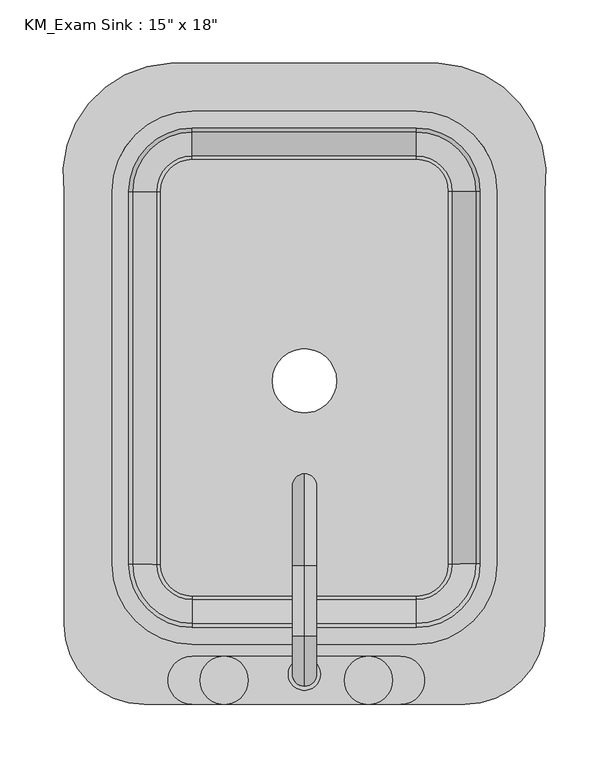
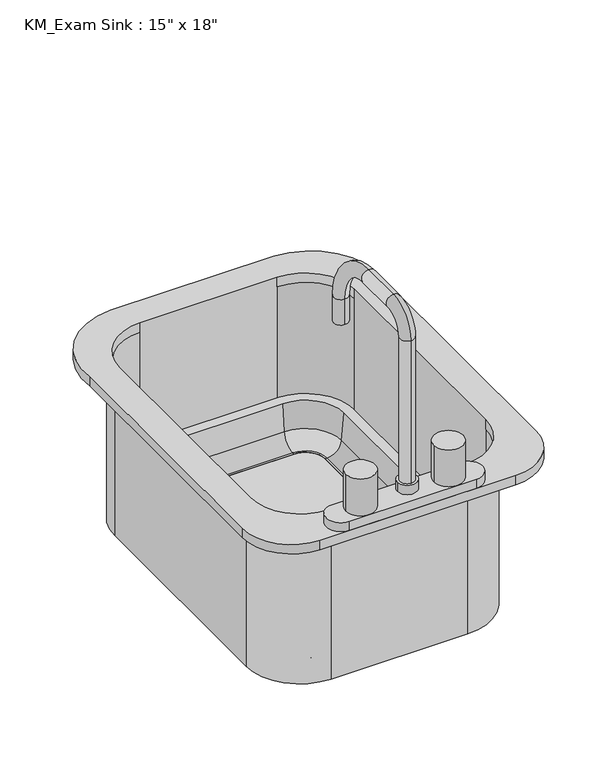
"""IFC4 building model written with IfcOpenShell, lengths in millimetres: flow terminal geometry."""

from ifc_helpers import new_model, si_unit, point, frame, frame_2d, origin, place, context, project, spatial, polyline, circle_curve, ellipse_curve, trimmed, segment, composite_curve, outline, extrude, source, transform, mapped, element, save
from ifc_brep_helpers import plane_surface, cylinder_surface, revolved_surface, advanced_brep


def flow_terminal_dfd2f330(model_context):
    return source(origin(), model_context, "Body", "SolidModel", [
        advanced_brep(
        [(-90.4606923, 302.4545989, 876.3), (-174.8107593, 200.8545982, 876.3), (-174.8107593, -142.0454011, 876.3), (-111.3107593, -205.5454011, 876.3), (142.6892406, -205.5454011, 876.3), (206.1892406, -142.0454011, 876.3), (206.1892406, 200.8545989, 876.3), (121.8391735, 302.4545989, 876.3), (104.5892406, -157.9204011, 876.3), (-73.2107594, -157.9204011, 876.3), (-136.7107594, -94.4204011, 876.3), (-136.7107594, 200.8545989, 876.3), (-73.2107594, 264.3545989, 876.3), (104.5892406, 264.3545989, 876.3), (168.0892406, 200.8545989, 876.3), (168.0892406, -94.4204011, 876.3), (-90.4606923, 302.4545989, 863.6), (121.8391735, 302.4545989, 863.6), (206.1892406, 200.8545989, 863.6), (206.1892406, -142.0454011, 863.6), (142.6892406, -205.5454011, 863.6), (-111.3107593, -205.5454011, 863.6), (-174.8107593, -142.0454011, 863.6), (-174.8107593, 200.8545982, 863.6), (174.4392406, -94.4204011, 863.6), (174.4392406, 200.8545989, 863.6), (104.5892406, 270.7045989, 863.6), (-73.2107594, 270.7045989, 863.6), (-143.0607594, 200.8545989, 863.6), (-143.0607594, -94.4204011, 863.6), (-73.2107594, -164.2704011, 863.6), (104.5892406, -164.2704011, 863.6), (168.0892406, -94.4204011, 863.6), (104.5892406, -157.9204011, 863.6), (168.0892406, 200.8545989, 863.6), (168.0892406, 200.8545989, 711.2), (168.0892406, -94.4204011, 711.2), (104.5892406, 264.3545989, 863.6), (-73.2107594, 264.3545989, 863.6), (-73.2107594, 264.3545989, 711.2), (104.5892406, 264.3545989, 711.2), (-136.7107594, 200.8545989, 863.6), (-136.7107594, -94.4204011, 863.6), (-136.7107594, -94.4204011, 711.2), (-136.7107594, 200.8545989, 711.2), (-73.2107594, -157.9204011, 863.6), (104.5892406, -157.9204011, 711.2), (-73.2107594, -157.9204011, 711.2), (174.4392406, -94.4204011, 647.7), (104.5892406, -164.2704011, 647.7), (104.5892406, -119.8204011, 647.7), (129.9892406, -94.4204011, 647.7), (104.5892406, -119.8204011, 657.225), (129.9892406, -94.4204011, 657.225), (104.5892406, -122.4088193, 657.225), (132.5776588, -94.4204011, 657.225), (104.5892406, -141.3863283, 674.6146831), (151.5551678, -94.4204011, 674.6146831), (104.5892406, -144.5871288, 711.2), (154.7559682, -94.4204011, 711.2), (174.4392406, 200.8545989, 647.7), (129.9892406, 200.8545989, 647.7), (129.9892406, 200.8545989, 657.225), (132.5776588, 200.8545989, 657.225), (151.5551678, 200.8545989, 674.6146831), (154.7559682, 200.8545989, 711.2), (104.5892406, 270.7045989, 647.7), (104.5892406, 226.2545989, 647.7), (104.5892406, 226.2545989, 657.225), (104.5892406, 228.8430171, 657.225), (104.5892406, 247.8205261, 674.6146831), (104.5892406, 251.0213266, 711.2), (-73.2107594, 270.7045989, 647.7), (-73.2107594, 226.2545989, 647.7), (-73.2107594, 226.2545989, 657.225), (-73.2107594, 228.8430171, 657.225), (-73.2107594, 247.8205261, 674.6146831), (-73.2107594, 251.0213266, 711.2), (-143.0607594, 200.8545989, 647.7), (-98.6107594, 200.8545989, 647.7), (-98.6107594, 200.8545989, 657.225), (-101.1991776, 200.8545989, 657.225), (-120.1766866, 200.8545989, 674.6146831), (-123.3774871, 200.8545989, 711.2), (-143.0607594, -94.4204011, 647.7), (-98.6107594, -94.4204011, 647.7), (-98.6107594, -94.4204011, 657.225), (-101.1991776, -94.4204011, 657.225), (-120.1766866, -94.4204011, 674.6146831), (-123.3774871, -94.4204011, 711.2), (-73.2107594, -164.2704011, 647.7), (-73.2107594, -119.8204011, 647.7), (-73.2107594, -119.8204011, 657.225), (-73.2107594, -122.4088193, 657.225), (-73.2107594, -141.3863283, 674.6146831), (-73.2107594, -144.5871288, 711.2)],
        [
            (0, 1, circle_curve(frame((-86.6534746, 213.4793432, 876.3), z_axis=(0.0, 0.0, 1.0), x_axis=(1.0, 0.0, 0.0)), 89.0566732)),
            (1, 2),
            (2, 3, circle_curve(frame((-111.3107593, -142.0454011, 876.3), z_axis=(0.0, 0.0, 1.0), x_axis=(1.0, 0.0, 0.0)), 63.5)),
            (3, 4),
            (4, 5, circle_curve(frame((142.6892406, -142.0454011, 876.3), z_axis=(0.0, 0.0, 1.0), x_axis=(1.0, 0.0, 0.0)), 63.5)),
            (5, 6),
            (6, 7, circle_curve(frame((118.0319557, 213.4793432, 876.3), z_axis=(0.0, 0.0, 1.0), x_axis=(1.0, 0.0, 0.0)), 89.0566732)),
            (7, 0),
            (8, 9),
            (9, 10, circle_curve(frame((-73.2107594, -94.4204011, 876.3), z_axis=(0.0, 0.0, -1.0), x_axis=(1.0, 0.0, 0.0)), 63.5)),
            (10, 11),
            (11, 12, circle_curve(frame((-73.2107594, 200.8545989, 876.3), z_axis=(0.0, 0.0, -1.0), x_axis=(1.0, 0.0, 0.0)), 63.5)),
            (12, 13),
            (13, 14, circle_curve(frame((104.5892406, 200.8545989, 876.3), z_axis=(0.0, 0.0, -1.0), x_axis=(1.0, 0.0, 0.0)), 63.5)),
            (14, 15),
            (15, 8, circle_curve(frame((104.5892406, -94.4204011, 876.3), z_axis=(0.0, 0.0, -1.0), x_axis=(1.0, 0.0, 0.0)), 63.5)),
            (16, 17),
            (17, 18, circle_curve(frame((118.0319557, 213.4793432, 863.6), z_axis=(0.0, 0.0, -1.0), x_axis=(1.0, 0.0, 0.0)), 89.0566732)),
            (18, 19),
            (19, 20, circle_curve(frame((142.6892406, -142.0454011, 863.6), z_axis=(0.0, 0.0, -1.0), x_axis=(1.0, 0.0, 0.0)), 63.5)),
            (20, 21),
            (21, 22, circle_curve(frame((-111.3107593, -142.0454011, 863.6), z_axis=(0.0, 0.0, -1.0), x_axis=(1.0, 0.0, 0.0)), 63.5)),
            (22, 23),
            (23, 16, circle_curve(frame((-86.6534746, 213.4793432, 863.6), z_axis=(0.0, 0.0, -1.0), x_axis=(1.0, 0.0, 0.0)), 89.0566732)),
            (24, 25),
            (25, 26, circle_curve(frame((104.5892406, 200.8545989, 863.6), z_axis=(0.0, 0.0, 1.0), x_axis=(1.0, 0.0, 0.0)), 69.85)),
            (26, 27),
            (27, 28, circle_curve(frame((-73.2107594, 200.8545989, 863.6), z_axis=(0.0, 0.0, 1.0), x_axis=(0.0, 1.0, 0.0)), 69.85)),
            (28, 29),
            (29, 30, circle_curve(frame((-73.2107594, -94.4204011, 863.6), z_axis=(0.0, 0.0, 1.0), x_axis=(-1.0, 0.0, 0.0)), 69.85)),
            (30, 31),
            (31, 24, circle_curve(frame((104.5892406, -94.4204011, 863.6), z_axis=(0.0, 0.0, 1.0), x_axis=(0.0, -1.0, 0.0)), 69.85)),
            (7, 17),
            (16, 0),
            (6, 18),
            (5, 19),
            (4, 20),
            (3, 21),
            (2, 22),
            (1, 23),
            (15, 32),
            (32, 33, circle_curve(frame((104.5892406, -94.4204011, 863.6), z_axis=(0.0, 0.0, -1.0), x_axis=(1.0, 0.0, 0.0)), 63.5)),
            (33, 8),
            (14, 34),
            (34, 35),
            (35, 36),
            (36, 32),
            (13, 37),
            (37, 34, circle_curve(frame((104.5892406, 200.8545989, 863.6), z_axis=(0.0, 0.0, -1.0), x_axis=(1.0, 0.0, 0.0)), 63.5)),
            (12, 38),
            (38, 39),
            (39, 40),
            (40, 37),
            (11, 41),
            (41, 38, circle_curve(frame((-73.2107594, 200.8545989, 863.6), z_axis=(0.0, 0.0, -1.0), x_axis=(1.0, 0.0, 0.0)), 63.5)),
            (10, 42),
            (42, 43),
            (43, 44),
            (44, 41),
            (9, 45),
            (45, 42, circle_curve(frame((-73.2107594, -94.4204011, 863.6), z_axis=(0.0, 0.0, -1.0), x_axis=(1.0, 0.0, 0.0)), 63.5)),
            (33, 46),
            (46, 47),
            (47, 45),
            (48, 24),
            (31, 49),
            (49, 48, circle_curve(frame((104.5892406, -94.4204011, 647.7), z_axis=(0.0, 0.0, 1.0), x_axis=(0.0, -1.0, 0.0)), 69.85)),
            (49, 50),
            (50, 51, circle_curve(frame((104.5892406, -94.4204011, 647.7), z_axis=(0.0, 0.0, 1.0), x_axis=(0.0, -1.0, 0.0)), 25.4)),
            (51, 48),
            (50, 52),
            (52, 53, circle_curve(frame((104.5892406, -94.4204011, 657.225), z_axis=(0.0, 0.0, 1.0), x_axis=(0.0, -1.0, 0.0)), 25.4)),
            (53, 51),
            (52, 54),
            (54, 55, circle_curve(frame((104.5892406, -94.4204011, 657.225), z_axis=(0.0, 0.0, 1.0), x_axis=(0.0, -1.0, 0.0)), 27.9884182)),
            (55, 53),
            (54, 56, circle_curve(frame((104.5892406, -122.4088193, 676.275), z_axis=(-1.0, 0.0, 0.0), x_axis=(0.0, -1.0, 0.0)), 19.05)),
            (56, 57, circle_curve(frame((104.5892406, -94.4204011, 674.6146831), z_axis=(0.0, 0.0, 1.0), x_axis=(0.0, -1.0, 0.0)), 46.9659272)),
            (57, 55, circle_curve(frame((132.5776588, -94.4204011, 676.275), z_axis=(0.0, 1.0, 0.0), x_axis=(1.0, 0.0, 0.0)), 19.05)),
            (56, 58),
            (58, 59, circle_curve(frame((104.5892406, -94.4204011, 711.2), z_axis=(0.0, 0.0, 1.0), x_axis=(0.0, -1.0, 0.0)), 50.1667277)),
            (59, 57),
            (48, 60),
            (60, 25),
            (51, 61),
            (61, 60),
            (53, 62),
            (62, 61),
            (55, 63),
            (63, 62),
            (57, 64),
            (64, 63, circle_curve(frame((132.5776588, 200.8545989, 676.275), z_axis=(0.0, 1.0, 0.0), x_axis=(1.0, 0.0, 0.0)), 19.05)),
            (59, 65),
            (65, 64),
            (60, 66, circle_curve(frame((104.5892406, 200.8545989, 647.7), z_axis=(0.0, 0.0, 1.0), x_axis=(1.0, 0.0, 0.0)), 69.85)),
            (66, 26),
            (61, 67, circle_curve(frame((104.5892406, 200.8545989, 647.7), z_axis=(0.0, 0.0, 1.0), x_axis=(1.0, 0.0, 0.0)), 25.4)),
            (67, 66),
            (62, 68, circle_curve(frame((104.5892406, 200.8545989, 657.225), z_axis=(0.0, 0.0, 1.0), x_axis=(1.0, 0.0, 0.0)), 25.4)),
            (68, 67),
            (63, 69, circle_curve(frame((104.5892406, 200.8545989, 657.225), z_axis=(0.0, 0.0, 1.0), x_axis=(1.0, 0.0, 0.0)), 27.9884182)),
            (69, 68),
            (64, 70, circle_curve(frame((104.5892406, 200.8545989, 674.6146831), z_axis=(0.0, 0.0, 1.0), x_axis=(1.0, 0.0, 0.0)), 46.9659272)),
            (70, 69, circle_curve(frame((104.5892406, 228.8430171, 676.275), z_axis=(-1.0, 0.0, 0.0), x_axis=(0.0, 1.0, 0.0)), 19.05)),
            (65, 71, circle_curve(frame((104.5892406, 200.8545989, 711.2), z_axis=(0.0, 0.0, 1.0), x_axis=(1.0, 0.0, 0.0)), 50.1667277)),
            (71, 70),
            (66, 72),
            (72, 27),
            (67, 73),
            (73, 72),
            (68, 74),
            (74, 73),
            (69, 75),
            (75, 74),
            (70, 76),
            (76, 75, circle_curve(frame((-73.2107594, 228.8430171, 676.275), z_axis=(-1.0, 0.0, 0.0), x_axis=(0.0, 1.0, 0.0)), 19.05)),
            (71, 77),
            (77, 76),
            (72, 78, circle_curve(frame((-73.2107594, 200.8545989, 647.7), z_axis=(0.0, 0.0, 1.0), x_axis=(0.0, 1.0, 0.0)), 69.85)),
            (78, 28),
            (73, 79, circle_curve(frame((-73.2107594, 200.8545989, 647.7), z_axis=(0.0, 0.0, 1.0), x_axis=(0.0, 1.0, 0.0)), 25.4)),
            (79, 78),
            (74, 80, circle_curve(frame((-73.2107594, 200.8545989, 657.225), z_axis=(0.0, 0.0, 1.0), x_axis=(0.0, 1.0, 0.0)), 25.4)),
            (80, 79),
            (75, 81, circle_curve(frame((-73.2107594, 200.8545989, 657.225), z_axis=(0.0, 0.0, 1.0), x_axis=(0.0, 1.0, 0.0)), 27.9884182)),
            (81, 80),
            (76, 82, circle_curve(frame((-73.2107594, 200.8545989, 674.6146831), z_axis=(0.0, 0.0, 1.0), x_axis=(0.0, 1.0, 0.0)), 46.9659272)),
            (82, 81, circle_curve(frame((-101.1991776, 200.8545989, 676.275), z_axis=(0.0, -1.0, 0.0), x_axis=(-1.0, 0.0, 0.0)), 19.05)),
            (77, 83, circle_curve(frame((-73.2107594, 200.8545989, 711.2), z_axis=(0.0, 0.0, 1.0), x_axis=(0.0, 1.0, 0.0)), 50.1667277)),
            (83, 82),
            (78, 84),
            (84, 29),
            (79, 85),
            (85, 84),
            (80, 86),
            (86, 85),
            (81, 87),
            (87, 86),
            (82, 88),
            (88, 87, circle_curve(frame((-101.1991776, -94.4204011, 676.275), z_axis=(0.0, -1.0, 0.0), x_axis=(-1.0, 0.0, 0.0)), 19.05)),
            (83, 89),
            (89, 88),
            (84, 90, circle_curve(frame((-73.2107594, -94.4204011, 647.7), z_axis=(0.0, 0.0, 1.0), x_axis=(-1.0, 0.0, 0.0)), 69.85)),
            (90, 30),
            (85, 91, circle_curve(frame((-73.2107594, -94.4204011, 647.7), z_axis=(0.0, 0.0, 1.0), x_axis=(-1.0, 0.0, 0.0)), 25.4)),
            (91, 90),
            (86, 92, circle_curve(frame((-73.2107594, -94.4204011, 657.225), z_axis=(0.0, 0.0, 1.0), x_axis=(-1.0, 0.0, 0.0)), 25.4)),
            (92, 91),
            (87, 93, circle_curve(frame((-73.2107594, -94.4204011, 657.225), z_axis=(0.0, 0.0, 1.0), x_axis=(-1.0, 0.0, 0.0)), 27.9884182)),
            (93, 92),
            (88, 94, circle_curve(frame((-73.2107594, -94.4204011, 674.6146831), z_axis=(0.0, 0.0, 1.0), x_axis=(-1.0, 0.0, 0.0)), 46.9659272)),
            (94, 93, circle_curve(frame((-73.2107594, -122.4088193, 676.275), z_axis=(1.0, 0.0, 0.0), x_axis=(0.0, -1.0, 0.0)), 19.05)),
            (89, 95, circle_curve(frame((-73.2107594, -94.4204011, 711.2), z_axis=(0.0, 0.0, 1.0), x_axis=(-1.0, 0.0, 0.0)), 50.1667277)),
            (95, 94),
            (90, 49),
            (91, 50),
            (92, 52),
            (93, 54),
            (94, 56),
            (95, 58),
            (43, 47, circle_curve(frame((-73.2107594, -94.4204011, 711.2), z_axis=(0.0, 0.0, 1.0), x_axis=(0.0, 1.0, 0.0)), 63.5)),
            (46, 36, circle_curve(frame((104.5892406, -94.4204011, 711.2), z_axis=(0.0, 0.0, 1.0), x_axis=(0.0, 1.0, 0.0)), 63.5)),
            (35, 40, circle_curve(frame((104.5892406, 200.8545989, 711.2), z_axis=(0.0, 0.0, 1.0), x_axis=(0.0, 1.0, 0.0)), 63.5)),
            (39, 44, circle_curve(frame((-73.2107594, 200.8545989, 711.2), z_axis=(0.0, 0.0, 1.0), x_axis=(0.0, 1.0, 0.0)), 63.5)),
        ],
        [
            plane_surface(frame((121.8391735, 302.4545989, 876.3), z_axis=(0.0, 0.0, 1.0), x_axis=(1.0, 0.0, 0.0))),
            plane_surface(frame((121.8391735, 302.4545989, 863.6), z_axis=(0.0, 0.0, -1.0), x_axis=(-1.0, 0.0, 0.0))),
            plane_surface(frame((-90.4606923, 302.4545989, 876.3), z_axis=(0.0, 1.0, 0.0), x_axis=(0.0, 0.0, -1.0))),
            cylinder_surface(frame((118.0319557, 213.4793432, 863.6), z_axis=(0.0, 0.0, 1.0), x_axis=(1.0, 0.0, 0.0)), 89.0566732),
            plane_surface(frame((206.1892406, 200.8545989, 876.3), z_axis=(1.0, 0.0, 0.0), x_axis=(0.0, 0.0, -1.0))),
            cylinder_surface(frame((142.6892406, -142.0454011, 863.6), z_axis=(0.0, 0.0, 1.0), x_axis=(1.0, 0.0, 0.0)), 63.5),
            plane_surface(frame((142.6892406, -205.5454011, 876.3), z_axis=(0.0, -1.0, 0.0), x_axis=(0.0, 0.0, -1.0))),
            cylinder_surface(frame((-111.3107593, -142.0454011, 863.6), z_axis=(0.0, 0.0, 1.0), x_axis=(1.0, 0.0, 0.0)), 63.5),
            plane_surface(frame((-174.8107593, -142.0454011, 876.3), z_axis=(-1.0, 0.0, 0.0), x_axis=(0.0, 0.0, -1.0))),
            cylinder_surface(frame((-86.6534746, 213.4793432, 863.6), z_axis=(0.0, 0.0, 1.0), x_axis=(1.0, 0.0, 0.0)), 89.0566732),
            revolved_surface(polyline([(168.08924059999998, -94.4204011, 863.6), (168.08924059999998, -94.4204011, 876.3)]), (104.5892406, -94.4204011, 0.0), (0.0, 0.0, -1.0)),
            plane_surface(frame((168.0892406, -94.4204011, 876.3), z_axis=(-1.0, 0.0, 0.0), x_axis=(0.0, 0.0, -1.0))),
            revolved_surface(polyline([(168.08924059999998, 200.8545989, 863.6), (168.08924059999998, 200.8545989, 876.3)]), (104.5892406, 200.8545989, 0.0), (0.0, 0.0, -1.0)),
            plane_surface(frame((104.5892406, 264.3545989, 876.3), z_axis=(0.0, -1.0, 0.0), x_axis=(0.0, 0.0, -1.0))),
            revolved_surface(polyline([(-9.7107594, 200.8545989, 863.6), (-9.7107594, 200.8545989, 876.3)]), (-73.2107594, 200.8545989, 0.0), (0.0, 0.0, -1.0)),
            plane_surface(frame((-136.7107594, 200.8545989, 876.3), z_axis=(1.0, 0.0, 0.0), x_axis=(0.0, 0.0, -1.0))),
            revolved_surface(polyline([(-9.7107594, -94.4204011, 863.6), (-9.7107594, -94.4204011, 876.3)]), (-73.2107594, -94.4204011, 0.0), (0.0, 0.0, -1.0)),
            plane_surface(frame((-73.2107594, -157.9204011, 876.3), z_axis=(0.0, 1.0, 0.0), x_axis=(0.0, 0.0, -1.0))),
            cylinder_surface(frame((104.5892406, -94.4204011, 0.0), z_axis=(0.0, 0.0, -1.0), x_axis=(0.0, -1.0, 0.0)), 69.85),
            plane_surface(frame((104.5892406, -94.4204011, 647.7), z_axis=(0.0, 0.0, -1.0), x_axis=(0.0, -1.0, 0.0))),
            revolved_surface(polyline([(104.5892406, -119.8204011, 647.7), (104.5892406, -119.8204011, 657.225)]), (104.5892406, -94.4204011, 0.0), (0.0, 0.0, -1.0)),
            plane_surface(frame((104.5892406, -94.4204011, 657.225), z_axis=(0.0, 0.0, 1.0), x_axis=(0.0, -1.0, 0.0))),
            revolved_surface(trimmed(ellipse_curve(frame((104.5892406, -122.4088193, 676.275), z_axis=(-1.0, 0.0, 0.0), x_axis=(0.0, -1.0, 0.0)), 19.05, 19.05), [point((104.5892406, -122.4088193, 657.225))], [point((104.5892406, -141.3863283, 674.6146831))], True, "CARTESIAN"), (104.5892406, -94.4204011, 0.0), (0.0, 0.0, -1.0)),
            revolved_surface(polyline([(104.5892406, -141.3863283, 674.6146831), (104.5892406, -157.9204011, 863.6)]), (104.5892406, -94.4204011, 0.0), (0.0, 0.0, -1.0)),
            plane_surface(frame((174.4392406, -94.4204011, 863.6), z_axis=(1.0, 0.0, 0.0), x_axis=(0.0, 1.0, 0.0))),
            plane_surface(frame((174.4392406, -94.4204011, 647.7), z_axis=(0.0, 0.0, -1.0), x_axis=(0.0, 1.0, 0.0))),
            plane_surface(frame((129.9892406, -94.4204011, 647.7), z_axis=(-1.0, 0.0, 0.0), x_axis=(0.0, 1.0, 0.0))),
            plane_surface(frame((129.9892406, -94.4204011, 657.225), z_axis=(0.0, 0.0, 1.0), x_axis=(0.0, 1.0, 0.0))),
            revolved_surface(polyline([(151.6276588, 200.85459890000004, 676.275), (151.6276588, -94.4204011, 676.275)]), (132.5776588, -94.4204011, 676.275), (0.0, 1.0, 0.0)),
            plane_surface(frame((151.5551678, -94.4204011, 674.6146831), z_axis=(-0.9961946980917442, 0.0, 0.08715574274767382), x_axis=(0.0, 1.0, 0.0))),
            cylinder_surface(frame((104.5892406, 200.8545989, 0.0), z_axis=(0.0, 0.0, -1.0), x_axis=(1.0, 0.0, 0.0)), 69.85),
            plane_surface(frame((104.5892406, 200.8545989, 647.7), z_axis=(0.0, 0.0, -1.0), x_axis=(1.0, 0.0, 0.0))),
            revolved_surface(polyline([(129.9892406, 200.8545989, 647.7), (129.9892406, 200.8545989, 657.225)]), (104.5892406, 200.8545989, 0.0), (0.0, 0.0, -1.0)),
            plane_surface(frame((104.5892406, 200.8545989, 657.225), z_axis=(0.0, 0.0, 1.0), x_axis=(1.0, 0.0, 0.0))),
            revolved_surface(trimmed(ellipse_curve(frame((132.5776588, 200.8545989, 676.275), z_axis=(0.0, -1.0, 0.0), x_axis=(1.0, 0.0, 0.0)), 19.05, 19.05), [point((132.5776588, 200.8545989, 657.225))], [point((151.5551678, 200.8545989, 674.6146831))], True, "CARTESIAN"), (104.5892406, 200.8545989, 0.0), (0.0, 0.0, -1.0)),
            revolved_surface(polyline([(151.5551678, 200.8545989, 674.6146831), (168.0892406, 200.8545989, 863.6)]), (104.5892406, 200.8545989, 0.0), (0.0, 0.0, -1.0)),
            plane_surface(frame((104.5892406, 270.7045989, 863.6), z_axis=(0.0, 1.0, 0.0), x_axis=(-1.0, 0.0, 0.0))),
            plane_surface(frame((104.5892406, 270.7045989, 647.7), z_axis=(0.0, 0.0, -1.0), x_axis=(-1.0, 0.0, 0.0))),
            plane_surface(frame((104.5892406, 226.2545989, 647.7), z_axis=(0.0, -1.0, 0.0), x_axis=(-1.0, 0.0, 0.0))),
            plane_surface(frame((104.5892406, 226.2545989, 657.225), z_axis=(0.0, 0.0, 1.0), x_axis=(-1.0, 0.0, 0.0))),
            revolved_surface(polyline([(-73.21075940000001, 247.8930171, 676.275), (104.5892406, 247.8930171, 676.275)]), (104.5892406, 228.8430171, 676.275), (-1.0, 0.0, 0.0)),
            plane_surface(frame((104.5892406, 247.8205261, 674.6146831), z_axis=(0.0, -0.9961946980917442, 0.08715574274767382), x_axis=(-1.0, 0.0, 0.0))),
            cylinder_surface(frame((-73.2107594, 200.8545989, 0.0), z_axis=(0.0, 0.0, -1.0), x_axis=(0.0, 1.0, 0.0)), 69.85),
            plane_surface(frame((-73.2107594, 200.8545989, 647.7), z_axis=(0.0, 0.0, -1.0), x_axis=(0.0, 1.0, 0.0))),
            revolved_surface(polyline([(-73.2107594, 226.25459890000002, 647.7), (-73.2107594, 226.25459890000002, 657.225)]), (-73.2107594, 200.8545989, 0.0), (0.0, 0.0, -1.0)),
            plane_surface(frame((-73.2107594, 200.8545989, 657.225), z_axis=(0.0, 0.0, 1.0), x_axis=(0.0, 1.0, 0.0))),
            revolved_surface(trimmed(ellipse_curve(frame((-73.2107594, 228.8430171, 676.275), z_axis=(1.0, 0.0, 0.0), x_axis=(0.0, 1.0, 0.0)), 19.05, 19.05), [point((-73.2107594, 228.8430171, 657.225))], [point((-73.2107594, 247.8205261, 674.6146831))], True, "CARTESIAN"), (-73.2107594, 200.8545989, 0.0), (0.0, 0.0, -1.0)),
            revolved_surface(polyline([(-73.2107594, 247.8205261, 674.6146831), (-73.2107594, 264.3545989, 863.6)]), (-73.2107594, 200.8545989, 0.0), (0.0, 0.0, -1.0)),
            plane_surface(frame((-143.0607594, 200.8545989, 863.6), z_axis=(-1.0, 0.0, 0.0), x_axis=(0.0, -1.0, 0.0))),
            plane_surface(frame((-143.0607594, 200.8545989, 647.7), z_axis=(0.0, 0.0, -1.0), x_axis=(0.0, -1.0, 0.0))),
            plane_surface(frame((-98.6107594, 200.8545989, 647.7), z_axis=(1.0, 0.0, 0.0), x_axis=(0.0, -1.0, 0.0))),
            plane_surface(frame((-98.6107594, 200.8545989, 657.225), z_axis=(0.0, 0.0, 1.0), x_axis=(0.0, -1.0, 0.0))),
            revolved_surface(polyline([(-120.2491776, -94.42040110000002, 676.275), (-120.2491776, 200.8545989, 676.275)]), (-101.1991776, 200.8545989, 676.275), (0.0, -1.0, 0.0)),
            plane_surface(frame((-120.1766866, 200.8545989, 674.6146831), z_axis=(0.9961946980917442, 0.0, 0.08715574274767382), x_axis=(0.0, -1.0, 0.0))),
            cylinder_surface(frame((-73.2107594, -94.4204011, 0.0), z_axis=(0.0, 0.0, -1.0), x_axis=(-1.0, 0.0, 0.0)), 69.85),
            plane_surface(frame((-73.2107594, -94.4204011, 647.7), z_axis=(0.0, 0.0, -1.0), x_axis=(-1.0, 0.0, 0.0))),
            revolved_surface(polyline([(-98.6107594, -94.4204011, 647.7), (-98.6107594, -94.4204011, 657.225)]), (-73.2107594, -94.4204011, 0.0), (0.0, 0.0, -1.0)),
            plane_surface(frame((-73.2107594, -94.4204011, 657.225), z_axis=(0.0, 0.0, 1.0), x_axis=(-1.0, 0.0, 0.0))),
            revolved_surface(trimmed(ellipse_curve(frame((-101.1991776, -94.4204011, 676.275), z_axis=(0.0, 1.0, 0.0), x_axis=(-1.0, 0.0, 0.0)), 19.05, 19.05), [point((-101.1991776, -94.4204011, 657.225))], [point((-120.1766866, -94.4204011, 674.6146831))], True, "CARTESIAN"), (-73.2107594, -94.4204011, 0.0), (0.0, 0.0, -1.0)),
            revolved_surface(polyline([(-120.1766866, -94.4204011, 674.6146831), (-136.7107594, -94.4204011, 863.6)]), (-73.2107594, -94.4204011, 0.0), (0.0, 0.0, -1.0)),
            plane_surface(frame((-73.2107594, -164.2704011, 863.6), z_axis=(0.0, -1.0, 0.0), x_axis=(1.0, 0.0, 0.0))),
            plane_surface(frame((-73.2107594, -164.2704011, 647.7), z_axis=(0.0, 0.0, -1.0), x_axis=(1.0, 0.0, 0.0))),
            plane_surface(frame((-73.2107594, -119.8204011, 647.7), z_axis=(0.0, 1.0, 0.0), x_axis=(1.0, 0.0, 0.0))),
            plane_surface(frame((-73.2107594, -119.8204011, 657.225), z_axis=(0.0, 0.0, 1.0), x_axis=(1.0, 0.0, 0.0))),
            revolved_surface(polyline([(104.58924060000001, -141.45881930000002, 676.275), (-73.2107594, -141.45881930000002, 676.275)]), (-73.2107594, -122.4088193, 676.275), (1.0, 0.0, 0.0)),
            plane_surface(frame((-73.2107594, -141.3863283, 674.6146831), z_axis=(0.0, 0.9961946980917442, 0.08715574274767382), x_axis=(1.0, 0.0, 0.0))),
            plane_surface(frame((-73.2107594, 264.3545989, 711.2), z_axis=(0.0, 0.0, 1.0), x_axis=(-1.0, 0.0, 0.0))),
            revolved_surface(polyline([(-73.2107594, 264.35459890000004, 863.6), (-73.2107594, 264.35459890000004, 711.2)]), (-73.2107594, 200.8545989, 711.2), (0.0, 0.0, 1.0)),
            revolved_surface(polyline([(104.5892406, 264.35459890000004, 863.6), (104.5892406, 264.35459890000004, 711.2)]), (104.5892406, 200.8545989, 711.2), (0.0, 0.0, 1.0)),
            revolved_surface(polyline([(104.5892406, -30.920401100000007, 863.6), (104.5892406, -30.920401100000007, 711.2)]), (104.5892406, -94.4204011, 711.2), (0.0, 0.0, 1.0)),
            revolved_surface(polyline([(-73.2107594, -30.920401100000007, 863.6), (-73.2107594, -30.920401100000007, 711.2)]), (-73.2107594, -94.4204011, 711.2), (0.0, 0.0, 1.0)),
        ],
        [
            (0, [[1, 2, 3, 4, 5, 6, 7, 8], [9, 10, 11, 12, 13, 14, 15, 16]]),
            (1, [[17, 18, 19, 20, 21, 22, 23, 24], [25, 26, 27, 28, 29, 30, 31, 32]]),
            (2, [[33, -17, 34, -8]]),
            (3, [[35, -18, -33, -7]]),
            (4, [[36, -19, -35, -6]]),
            (5, [[37, -20, -36, -5]]),
            (6, [[38, -21, -37, -4]]),
            (7, [[39, -22, -38, -3]]),
            (8, [[40, -23, -39, -2]]),
            (9, [[-34, -24, -40, -1]]),
            (10, [[41, 42, 43, -16]]),
            (11, [[44, 45, 46, 47, -41, -15]]),
            (12, [[48, 49, -44, -14]]),
            (13, [[50, 51, 52, 53, -48, -13]]),
            (14, [[54, 55, -50, -12]]),
            (15, [[56, 57, 58, 59, -54, -11]]),
            (16, [[60, 61, -56, -10]]),
            (17, [[-43, 62, 63, 64, -60, -9]]),
            (18, [[65, -32, 66, 67]]),
            (19, [[68, 69, 70, -67]]),
            (20, [[71, 72, 73, -69]]),
            (21, [[74, 75, 76, -72]]),
            (22, [[77, 78, 79, -75]]),
            (23, [[80, 81, 82, -78]]),
            (24, [[83, 84, -25, -65]]),
            (25, [[85, 86, -83, -70]]),
            (26, [[87, 88, -85, -73]]),
            (27, [[89, 90, -87, -76]]),
            (28, [[91, 92, -89, -79]]),
            (29, [[-82, 93, 94, -91]]),
            (30, [[95, 96, -26, -84]]),
            (31, [[97, 98, -95, -86]]),
            (32, [[99, 100, -97, -88]]),
            (33, [[101, 102, -99, -90]]),
            (34, [[103, 104, -101, -92]]),
            (35, [[-94, 105, 106, -103]]),
            (36, [[107, 108, -27, -96]]),
            (37, [[109, 110, -107, -98]]),
            (38, [[111, 112, -109, -100]]),
            (39, [[113, 114, -111, -102]]),
            (40, [[115, 116, -113, -104]]),
            (41, [[-106, 117, 118, -115]]),
            (42, [[119, 120, -28, -108]]),
            (43, [[121, 122, -119, -110]]),
            (44, [[123, 124, -121, -112]]),
            (45, [[125, 126, -123, -114]]),
            (46, [[127, 128, -125, -116]]),
            (47, [[-118, 129, 130, -127]]),
            (48, [[131, 132, -29, -120]]),
            (49, [[133, 134, -131, -122]]),
            (50, [[135, 136, -133, -124]]),
            (51, [[137, 138, -135, -126]]),
            (52, [[139, 140, -137, -128]]),
            (53, [[-130, 141, 142, -139]]),
            (54, [[143, 144, -30, -132]]),
            (55, [[145, 146, -143, -134]]),
            (56, [[147, 148, -145, -136]]),
            (57, [[149, 150, -147, -138]]),
            (58, [[151, 152, -149, -140]]),
            (59, [[-142, 153, 154, -151]]),
            (60, [[-31, -144, 155, -66]]),
            (61, [[-155, -146, 156, -68]]),
            (62, [[-156, -148, 157, -71]]),
            (63, [[-157, -150, 158, -74]]),
            (64, [[-158, -152, 159, -77]]),
            (65, [[-154, 160, -80, -159]]),
            (66, [[-58, 161, -63, 162, -46, 163, -52, 164], [-160, -153, -141, -129, -117, -105, -93, -81]]),
            (67, [[-51, -55, -59, -164]]),
            (68, [[-45, -49, -53, -163]]),
            (69, [[-62, -42, -47, -162]]),
            (70, [[-57, -61, -64, -161]]),
        ],
    ),
        advanced_brep(
        [(91.8892406, -205.5454011, 876.3), (-73.2107594, -205.5454011, 876.3), (-73.2107594, -167.4454011, 876.3), (91.8892406, -167.4454011, 876.3), (15.6892406, -191.2579011, 1096.9625), (15.6892406, -191.2579011, 901.7), (15.6892406, -172.2079011, 901.7), (15.6892406, -172.2079011, 1096.9625), (15.6892406, -151.5704011, 1117.6), (15.6892406, -151.5704011, 1136.65), (15.6892406, -96.0079011, 1117.6), (15.6892406, -96.0079011, 1136.65), (15.6892406, -42.0329011, 1063.625), (15.6892406, -22.9829011, 1063.625), (15.6892406, -22.9829011, 1028.7), (15.6892406, -42.0329011, 1028.7), (2.9892406, -181.7329011, 901.7), (28.3892406, -181.7329011, 901.7), (28.3892406, -181.7329011, 889.0), (2.9892406, -181.7329011, 889.0), (91.8892406, -205.5454011, 889.0), (91.8892406, -167.4454011, 889.0), (-73.2107594, -167.4454011, 889.0), (-73.2107594, -205.5454011, 889.0)],
        [
            (0, 1),
            (1, 2, circle_curve(frame((-73.2107594, -186.4954011, 876.3), z_axis=(0.0, 0.0, -1.0), x_axis=(1.0, 0.0, 0.0)), 19.05)),
            (2, 3),
            (3, 0, circle_curve(frame((91.8892406, -186.4954011, 876.3), z_axis=(0.0, 0.0, -1.0), x_axis=(1.0, 0.0, 0.0)), 19.05)),
            (4, 5),
            (5, 6, circle_curve(frame((15.6892406, -181.7329011, 901.7), z_axis=(0.0, 0.0, 1.0), x_axis=(0.0, 1.0, 0.0)), 9.525)),
            (6, 7),
            (7, 4, circle_curve(frame((15.6892406, -181.7329011, 1096.9625), z_axis=(0.0, 0.0, -1.0), x_axis=(0.0, 1.0, 0.0)), 9.525)),
            (6, 5, circle_curve(frame((15.6892406, -181.7329011, 901.7), z_axis=(0.0, 0.0, 1.0), x_axis=(0.0, 1.0, 0.0)), 9.525)),
            (4, 7, circle_curve(frame((15.6892406, -181.7329011, 1096.9625), z_axis=(0.0, 0.0, -1.0), x_axis=(0.0, 1.0, 0.0)), 9.525)),
            (7, 8, circle_curve(frame((15.6892406, -151.5704011, 1096.9625), z_axis=(-1.0, 0.0, 0.0), x_axis=(0.0, -1.0, 0.0)), 20.6375)),
            (8, 9, circle_curve(frame((15.6892406, -151.5704011, 1127.125), z_axis=(0.0, -1.0, 0.0), x_axis=(0.0, 0.0, -1.0)), 9.525)),
            (9, 4, circle_curve(frame((15.6892406, -151.5704011, 1096.9625), z_axis=(1.0, 0.0, 0.0), x_axis=(0.0, -1.0, 0.0)), 39.6875)),
            (9, 8, circle_curve(frame((15.6892406, -151.5704011, 1127.125), z_axis=(0.0, -1.0, 0.0), x_axis=(0.0, 0.0, -1.0)), 9.525)),
            (8, 10),
            (10, 11, circle_curve(frame((15.6892406, -96.0079011, 1127.125), z_axis=(0.0, -1.0, 0.0), x_axis=(0.0, 0.0, -1.0)), 9.525)),
            (11, 9),
            (11, 10, circle_curve(frame((15.6892406, -96.0079011, 1127.125), z_axis=(0.0, -1.0, 0.0), x_axis=(0.0, 0.0, -1.0)), 9.525)),
            (10, 12, circle_curve(frame((15.6892406, -96.0079011, 1063.625), z_axis=(-1.0, 0.0, 0.0), x_axis=(0.0, 0.0, 1.0)), 53.975)),
            (12, 13, circle_curve(frame((15.6892406, -32.5079011, 1063.625), z_axis=(0.0, 0.0, 1.0), x_axis=(0.0, -1.0, 0.0)), 9.525)),
            (13, 11, circle_curve(frame((15.6892406, -96.0079011, 1063.625), z_axis=(1.0, 0.0, 0.0), x_axis=(0.0, 0.0, 1.0)), 73.025)),
            (13, 12, circle_curve(frame((15.6892406, -32.5079011, 1063.625), z_axis=(0.0, 0.0, 1.0), x_axis=(0.0, -1.0, 0.0)), 9.525)),
            (14, 15, circle_curve(frame((15.6892406, -32.5079011, 1028.7), z_axis=(0.0, 0.0, -1.0), x_axis=(0.0, -1.0, 0.0)), 9.525)),
            (15, 14, circle_curve(frame((15.6892406, -32.5079011, 1028.7), z_axis=(0.0, 0.0, -1.0), x_axis=(0.0, -1.0, 0.0)), 9.525)),
            (12, 15),
            (14, 13),
            (16, 17, circle_curve(frame((15.6892406, -181.7329011, 901.7), z_axis=(0.0, 0.0, 1.0), x_axis=(1.0, 0.0, 0.0)), 12.7)),
            (17, 16, circle_curve(frame((15.6892406, -181.7329011, 901.7), z_axis=(0.0, 0.0, 1.0), x_axis=(1.0, 0.0, 0.0)), 12.7)),
            (17, 18),
            (18, 19, circle_curve(frame((15.6892406, -181.7329011, 889.0), z_axis=(0.0, 0.0, 1.0), x_axis=(1.0, 0.0, 0.0)), 12.7)),
            (19, 16),
            (19, 18, circle_curve(frame((15.6892406, -181.7329011, 889.0), z_axis=(0.0, 0.0, 1.0), x_axis=(1.0, 0.0, 0.0)), 12.7)),
            (20, 21, circle_curve(frame((91.8892406, -186.4954011, 889.0), z_axis=(0.0, 0.0, 1.0), x_axis=(1.0, 0.0, 0.0)), 19.05)),
            (21, 22),
            (22, 23, circle_curve(frame((-73.2107594, -186.4954011, 889.0), z_axis=(0.0, 0.0, 1.0), x_axis=(1.0, 0.0, 0.0)), 19.05)),
            (23, 20),
            (23, 1),
            (0, 20),
            (22, 2),
            (21, 3),
        ],
        [
            plane_surface(frame((15.6892406, -172.2079011, 876.3), z_axis=(0.0, 0.0, -1.0), x_axis=(1.0, 0.0, 0.0))),
            cylinder_surface(frame((15.6892406, -181.7329011, 876.3), z_axis=(0.0, 0.0, -1.0), x_axis=(0.0, 1.0, 0.0)), 9.525),
            revolved_surface(trimmed(ellipse_curve(frame((15.6892406, -181.7329011, 1096.9625), z_axis=(0.0, 0.0, 1.0), x_axis=(0.0, 1.0, 0.0)), 9.525, 9.525), [point((15.6892406, -191.2579011, 1096.9625))], [point((15.6892406, -172.2079011, 1096.9625))], True, "CARTESIAN"), (15.6892406, -151.5704011, 1096.9625), (1.0, 0.0, 0.0)),
            revolved_surface(trimmed(ellipse_curve(frame((15.6892406, -181.7329011, 1096.9625), z_axis=(0.0, 0.0, 1.0), x_axis=(0.0, 1.0, 0.0)), 9.525, 9.525), [point((15.6892406, -172.2079011, 1096.9625))], [point((15.6892406, -191.2579011, 1096.9625))], True, "CARTESIAN"), (15.6892406, -151.5704011, 1096.9625), (1.0, 0.0, 0.0)),
            cylinder_surface(frame((15.6892406, -151.5704011, 1127.125), z_axis=(0.0, -1.0, 0.0), x_axis=(0.0, 0.0, -1.0)), 9.525),
            revolved_surface(trimmed(ellipse_curve(frame((15.6892406, -96.0079011, 1127.125), z_axis=(0.0, 1.0, 0.0), x_axis=(0.0, 0.0, -1.0)), 9.525, 9.525), [point((15.6892406, -96.0079011, 1136.65))], [point((15.6892406, -96.0079011, 1117.6))], True, "CARTESIAN"), (15.6892406, -96.0079011, 1063.625), (1.0, 0.0, 0.0)),
            revolved_surface(trimmed(ellipse_curve(frame((15.6892406, -96.0079011, 1127.125), z_axis=(0.0, 1.0, 0.0), x_axis=(0.0, 0.0, -1.0)), 9.525, 9.525), [point((15.6892406, -96.0079011, 1117.6))], [point((15.6892406, -96.0079011, 1136.65))], True, "CARTESIAN"), (15.6892406, -96.0079011, 1063.625), (1.0, 0.0, 0.0)),
            plane_surface(frame((15.6892406, -22.9829011, 1028.7), z_axis=(0.0, 0.0, -1.0), x_axis=(-1.0, 0.0, 0.0))),
            cylinder_surface(frame((15.6892406, -32.5079011, 1063.625), z_axis=(0.0, 0.0, 1.0), x_axis=(0.0, -1.0, 0.0)), 9.525),
            plane_surface(frame((28.3892406, -181.7329011, 901.7), z_axis=(0.0, 0.0, 1.0), x_axis=(0.0, -1.0, 0.0))),
            cylinder_surface(frame((15.6892406, -181.7329011, 889.0), z_axis=(0.0, 0.0, 1.0), x_axis=(1.0, 0.0, 0.0)), 12.7),
            plane_surface(frame((-73.2107594, -205.5454011, 889.0), z_axis=(0.0, 0.0, 1.0), x_axis=(-1.0, 0.0, 0.0))),
            plane_surface(frame((91.8892406, -205.5454011, 889.0), z_axis=(0.0, -1.0, 0.0), x_axis=(0.0, 0.0, -1.0))),
            cylinder_surface(frame((-73.2107594, -186.4954011, 876.3), z_axis=(0.0, 0.0, 1.0), x_axis=(1.0, 0.0, 0.0)), 19.05),
            plane_surface(frame((-73.2107594, -167.4454011, 889.0), z_axis=(0.0, 1.0, 0.0), x_axis=(0.0, 0.0, -1.0))),
            cylinder_surface(frame((91.8892406, -186.4954011, 876.3), z_axis=(0.0, 0.0, 1.0), x_axis=(1.0, 0.0, 0.0)), 19.05),
        ],
        [
            (0, [[1, 2, 3, 4]]),
            (1, [[5, 6, 7, 8]]),
            (1, [[-7, 9, -5, 10]]),
            (2, [[11, 12, 13, -8]]),
            (3, [[-13, 14, -11, -10]]),
            (4, [[15, 16, 17, -12]]),
            (4, [[-17, 18, -15, -14]]),
            (5, [[19, 20, 21, -16]]),
            (6, [[-21, 22, -19, -18]]),
            (7, [[23, 24]]),
            (8, [[25, -23, 26, -20]]),
            (8, [[-26, -24, -25, -22]]),
            (9, [[27, 28], [-9, -6]]),
            (10, [[29, 30, 31, -28]]),
            (10, [[-31, 32, -29, -27]]),
            (11, [[33, 34, 35, 36], [-32, -30]]),
            (12, [[37, -1, 38, -36]]),
            (13, [[39, -2, -37, -35]]),
            (14, [[40, -3, -39, -34]]),
            (15, [[-38, -4, -40, -33]]),
        ],
    ),
        extrude(outline(composite_curve([segment(trimmed(circle_curve(frame_2d((-47.8107594, -186.4954011)), 19.05), [point((-66.8607594, -186.4954011))], [point((-28.7607594, -186.4954011))], False, "CARTESIAN"), True, "CONTINUOUS"), segment(trimmed(circle_curve(frame_2d((-47.8107594, -186.4954011)), 19.05), [point((-28.7607594, -186.4954011))], [point((-66.8607594, -186.4954011))], False, "CARTESIAN"), True, "CONTINUOUS")], self_intersect=False)), frame((0.0, 0.0, 889.0), z_axis=(0.0, 0.0, 1.0), x_axis=(1.0, 0.0, 0.0)), (0.0, 0.0, 1.0), 50.8),
        extrude(outline(composite_curve([segment(trimmed(circle_curve(frame_2d((66.4892406, -186.4954011)), 19.05), [point((47.4392406, -186.4954011))], [point((85.5392406, -186.4954011))], False, "CARTESIAN"), True, "CONTINUOUS"), segment(trimmed(circle_curve(frame_2d((66.4892406, -186.4954011)), 19.05), [point((85.5392406, -186.4954011))], [point((47.4392406, -186.4954011))], False, "CARTESIAN"), True, "CONTINUOUS")], self_intersect=False)), frame((0.0, 0.0, 889.0), z_axis=(0.0, 0.0, 1.0), x_axis=(1.0, 0.0, 0.0)), (0.0, 0.0, 1.0), 50.8),
        extrude(outline(composite_curve([segment(polyline([(104.5892406, -119.8204011), (-73.2107594, -119.8204011)]), True, "CONTINUOUS"), segment(trimmed(circle_curve(frame_2d((-73.2107594, -94.4204011)), 25.4), [point((-73.2107594, -119.8204011))], [point((-98.6107594, -94.4204011))], False, "CARTESIAN"), True, "CONTINUOUS"), segment(polyline([(-98.6107594, -94.4204011), (-98.6107594, 200.8545989)]), True, "CONTINUOUS"), segment(trimmed(circle_curve(frame_2d((-73.2107594, 200.8545989)), 25.4), [point((-98.6107594, 200.8545989))], [point((-73.2107594, 226.2545989))], False, "CARTESIAN"), True, "CONTINUOUS"), segment(polyline([(-73.2107594, 226.2545989), (104.5892406, 226.2545989)]), True, "CONTINUOUS"), segment(trimmed(circle_curve(frame_2d((104.5892406, 200.8545989)), 25.4), [point((104.5892406, 226.2545989))], [point((129.9892406, 200.8545989))], False, "CARTESIAN"), True, "CONTINUOUS"), segment(polyline([(129.9892406, 200.8545989), (129.9892406, -94.4204011)]), True, "CONTINUOUS"), segment(trimmed(circle_curve(frame_2d((104.5892406, -94.4204011)), 25.4), [point((129.9892406, -94.4204011))], [point((104.5892406, -119.8204011))], False, "CARTESIAN"), True, "CONTINUOUS")], self_intersect=False), holes=[composite_curve([segment(trimmed(circle_curve(frame_2d((15.6892406, 50.8)), 25.4), [point((-9.7107594, 50.8))], [point((41.0892406, 50.8))], True, "CARTESIAN"), True, "CONTINUOUS"), segment(trimmed(circle_curve(frame_2d((15.6892406, 50.8)), 25.4), [point((41.0892406, 50.8))], [point((-9.7107594, 50.8))], True, "CARTESIAN"), True, "CONTINUOUS")], self_intersect=False)]), frame((0.0, 0.0, 647.7), z_axis=(0.0, 0.0, 1.0), x_axis=(1.0, 0.0, 0.0)), (0.0, 0.0, 1.0), 9.525),
    ])


if __name__ == "__main__":
    model = new_model("IFC4")
    model_context = context("Model", 3, world=origin())
    ifc_project = project(units=[si_unit("LENGTHUNIT", "METRE", prefix="MILLI")], contexts=[model_context])
    site = spatial("IfcSite", under=ifc_project)
    building = spatial("IfcBuilding", under=site)
    placement = place(None, origin())
    flow_terminal_shape = flow_terminal_dfd2f330(model_context)
    element("IfcFlowTerminal", 1, ObjectType="KM_Exam Sink : 15\" x 18\"", at=placement, inside=building, context=model_context, shape_type="MappedRepresentation", body=[
        mapped(flow_terminal_shape, transform((0.0, 0.0, 0.0), x_axis=(1.0, 0.0, 0.0), y_axis=(0.0, 1.0, 0.0), z_axis=(0.0, 0.0, 1.0))),
    ])
    save(model, "model.ifc")
